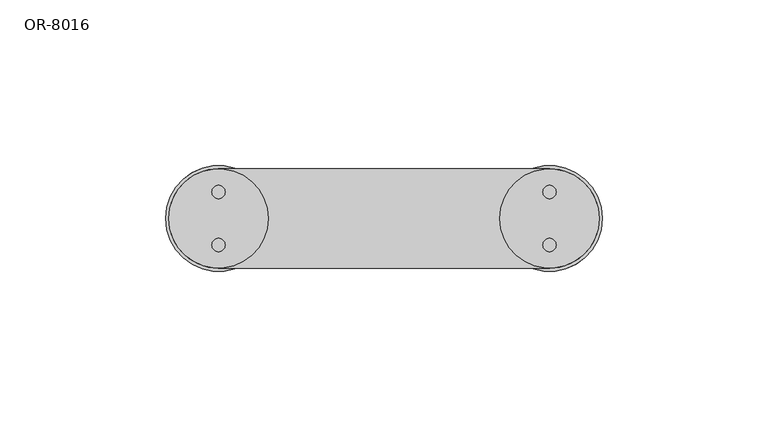
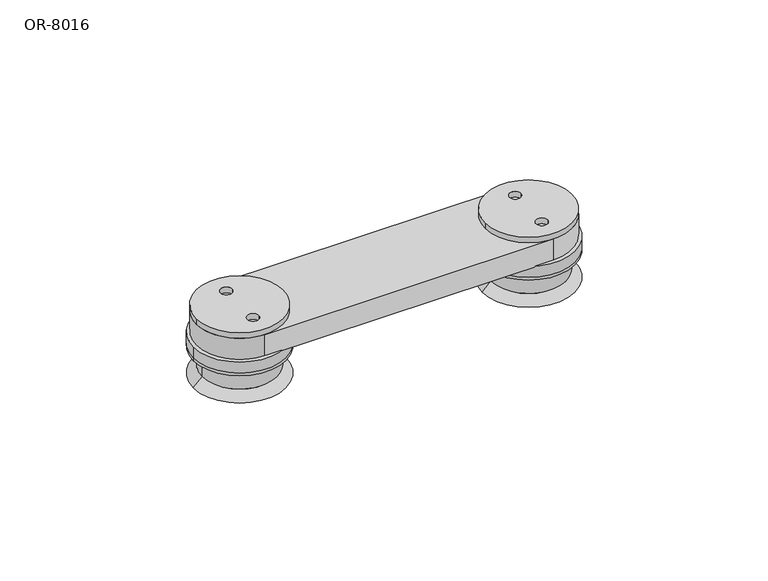
"""IFC4 building model written with IfcOpenShell, lengths in millimetres: proxy geometry, OR-8016."""

from ifc_helpers import new_model, si_unit, point, frame, frame_2d, origin, place, context, project, spatial, polyline, circle_curve, trimmed, segment, composite_curve, outline, extrude, source, transform, mapped, element, save
from ifc_brep_helpers import plane_surface, cylinder_surface, revolved_surface, advanced_brep


def or_8016_db763faf(model_context):
    return source(origin(), model_context, "Body", "SolidModel", [
        extrude(outline(composite_curve([segment(trimmed(circle_curve(frame_2d((-50.0, 0.0)), 12.0), [point((-50.0, 12.0))], [point((-50.0, -12.0))], False, "CARTESIAN"), True, "CONTINUOUS"), segment(trimmed(circle_curve(frame_2d((-50.0, 0.0)), 12.0), [point((-50.0, -12.0))], [point((-50.0, 12.0))], False, "CARTESIAN"), True, "CONTINUOUS")], self_intersect=False), holes=[composite_curve([segment(trimmed(circle_curve(frame_2d((-50.0, -8.0)), 2.0), [point((-52.0, -8.0))], [point((-48.0, -8.0))], True, "CARTESIAN"), True, "CONTINUOUS"), segment(trimmed(circle_curve(frame_2d((-50.0, -8.0)), 2.0), [point((-48.0, -8.0))], [point((-52.0, -8.0))], True, "CARTESIAN"), True, "CONTINUOUS")], self_intersect=False), composite_curve([segment(trimmed(circle_curve(frame_2d((-50.0, 8.0)), 2.0), [point((-52.0, 8.0))], [point((-48.0, 8.0))], True, "CARTESIAN"), True, "CONTINUOUS"), segment(trimmed(circle_curve(frame_2d((-50.0, 8.0)), 2.0), [point((-48.0, 8.0))], [point((-52.0, 8.0))], True, "CARTESIAN"), True, "CONTINUOUS")], self_intersect=False)]), frame((0.0, 0.0, -10.0), z_axis=(0.0, 0.0, 1.0), x_axis=(1.0, 0.0, 0.0)), (0.0, 0.0, 1.0), 3.0),
        extrude(outline(composite_curve([segment(trimmed(circle_curve(frame_2d((50.0, 0.0)), 12.0), [point((50.0, 12.0))], [point((50.0, -12.0))], False, "CARTESIAN"), True, "CONTINUOUS"), segment(trimmed(circle_curve(frame_2d((50.0, 0.0)), 12.0), [point((50.0, -12.0))], [point((50.0, 12.0))], False, "CARTESIAN"), True, "CONTINUOUS")], self_intersect=False), holes=[composite_curve([segment(trimmed(circle_curve(frame_2d((50.0, -8.0)), 2.0), [point((48.0, -8.0))], [point((52.0, -8.0))], True, "CARTESIAN"), True, "CONTINUOUS"), segment(trimmed(circle_curve(frame_2d((50.0, -8.0)), 2.0), [point((52.0, -8.0))], [point((48.0, -8.0))], True, "CARTESIAN"), True, "CONTINUOUS")], self_intersect=False), composite_curve([segment(trimmed(circle_curve(frame_2d((50.0, 8.0)), 2.0), [point((48.0, 8.0))], [point((52.0, 8.0))], True, "CARTESIAN"), True, "CONTINUOUS"), segment(trimmed(circle_curve(frame_2d((50.0, 8.0)), 2.0), [point((52.0, 8.0))], [point((48.0, 8.0))], True, "CARTESIAN"), True, "CONTINUOUS")], self_intersect=False)]), frame((0.0, 0.0, -10.0), z_axis=(0.0, 0.0, 1.0), x_axis=(1.0, 0.0, 0.0)), (0.0, 0.0, 1.0), 3.0),
        extrude(outline(composite_curve([segment(trimmed(circle_curve(frame_2d((-50.0, 0.0)), 16.0), [point((-66.0, 0.0))], [point((-34.0, 0.0))], False, "CARTESIAN"), True, "CONTINUOUS"), segment(trimmed(circle_curve(frame_2d((-50.0, 0.0)), 16.0), [point((-34.0, 0.0))], [point((-66.0, 0.0))], False, "CARTESIAN"), True, "CONTINUOUS")], self_intersect=False), holes=[composite_curve([segment(trimmed(circle_curve(frame_2d((-50.0, -8.0)), 2.0), [point((-52.0, -8.0))], [point((-48.0, -8.0))], True, "CARTESIAN"), True, "CONTINUOUS"), segment(trimmed(circle_curve(frame_2d((-50.0, -8.0)), 2.0), [point((-48.0, -8.0))], [point((-52.0, -8.0))], True, "CARTESIAN"), True, "CONTINUOUS")], self_intersect=False), composite_curve([segment(trimmed(circle_curve(frame_2d((-50.0, 8.0)), 2.0), [point((-52.0, 8.0))], [point((-48.0, 8.0))], True, "CARTESIAN"), True, "CONTINUOUS"), segment(trimmed(circle_curve(frame_2d((-50.0, 8.0)), 2.0), [point((-48.0, 8.0))], [point((-52.0, 8.0))], True, "CARTESIAN"), True, "CONTINUOUS")], self_intersect=False)]), frame((0.0, 0.0, 1.0), z_axis=(0.0, 0.0, 1.0), x_axis=(1.0, 0.0, 0.0)), (0.0, 0.0, 1.0), 4.0),
        extrude(outline(composite_curve([segment(trimmed(circle_curve(frame_2d((50.0, 0.0)), 16.0), [point((34.0, 0.0))], [point((66.0, 0.0))], False, "CARTESIAN"), True, "CONTINUOUS"), segment(trimmed(circle_curve(frame_2d((50.0, 0.0)), 16.0), [point((66.0, 0.0))], [point((34.0, 0.0))], False, "CARTESIAN"), True, "CONTINUOUS")], self_intersect=False), holes=[composite_curve([segment(trimmed(circle_curve(frame_2d((50.0, -8.0)), 2.0), [point((48.0, -8.0))], [point((52.0, -8.0))], True, "CARTESIAN"), True, "CONTINUOUS"), segment(trimmed(circle_curve(frame_2d((50.0, -8.0)), 2.0), [point((52.0, -8.0))], [point((48.0, -8.0))], True, "CARTESIAN"), True, "CONTINUOUS")], self_intersect=False), composite_curve([segment(trimmed(circle_curve(frame_2d((50.0, 8.0)), 2.0), [point((48.0, 8.0))], [point((52.0, 8.0))], True, "CARTESIAN"), True, "CONTINUOUS"), segment(trimmed(circle_curve(frame_2d((50.0, 8.0)), 2.0), [point((52.0, 8.0))], [point((48.0, 8.0))], True, "CARTESIAN"), True, "CONTINUOUS")], self_intersect=False)]), frame((0.0, 0.0, 1.0), z_axis=(0.0, 0.0, 1.0), x_axis=(1.0, 0.0, 0.0)), (0.0, 0.0, 1.0), 4.0),
        extrude(outline(composite_curve([segment(trimmed(circle_curve(frame_2d((-50.0, 0.0)), 15.0), [point((-65.0, 0.0))], [point((-35.0, 0.0))], False, "CARTESIAN"), True, "CONTINUOUS"), segment(trimmed(circle_curve(frame_2d((-50.0, 0.0)), 15.0), [point((-35.0, 0.0))], [point((-65.0, 0.0))], False, "CARTESIAN"), True, "CONTINUOUS")], self_intersect=False), holes=[composite_curve([segment(trimmed(circle_curve(frame_2d((-50.0, -8.0)), 2.0), [point((-52.0, -8.0))], [point((-48.0, -8.0))], True, "CARTESIAN"), True, "CONTINUOUS"), segment(trimmed(circle_curve(frame_2d((-50.0, -8.0)), 2.0), [point((-48.0, -8.0))], [point((-52.0, -8.0))], True, "CARTESIAN"), True, "CONTINUOUS")], self_intersect=False), composite_curve([segment(trimmed(circle_curve(frame_2d((-50.0, 8.0)), 2.0), [point((-52.0, 8.0))], [point((-48.0, 8.0))], True, "CARTESIAN"), True, "CONTINUOUS"), segment(trimmed(circle_curve(frame_2d((-50.0, 8.0)), 2.0), [point((-48.0, 8.0))], [point((-52.0, 8.0))], True, "CARTESIAN"), True, "CONTINUOUS")], self_intersect=False)]), frame((0.0, 0.0, 13.0), z_axis=(0.0, 0.0, 1.0), x_axis=(1.0, 0.0, 0.0)), (0.0, 0.0, 1.0), 2.0),
        extrude(outline(composite_curve([segment(trimmed(circle_curve(frame_2d((50.0, 0.0)), 15.0), [point((35.0, 0.0))], [point((65.0, 0.0))], False, "CARTESIAN"), True, "CONTINUOUS"), segment(trimmed(circle_curve(frame_2d((50.0, 0.0)), 15.0), [point((65.0, 0.0))], [point((35.0, 0.0))], False, "CARTESIAN"), True, "CONTINUOUS")], self_intersect=False), holes=[composite_curve([segment(trimmed(circle_curve(frame_2d((50.0, -8.0)), 2.0), [point((48.0, -8.0))], [point((52.0, -8.0))], True, "CARTESIAN"), True, "CONTINUOUS"), segment(trimmed(circle_curve(frame_2d((50.0, -8.0)), 2.0), [point((52.0, -8.0))], [point((48.0, -8.0))], True, "CARTESIAN"), True, "CONTINUOUS")], self_intersect=False), composite_curve([segment(trimmed(circle_curve(frame_2d((50.0, 8.0)), 2.0), [point((48.0, 8.0))], [point((52.0, 8.0))], True, "CARTESIAN"), True, "CONTINUOUS"), segment(trimmed(circle_curve(frame_2d((50.0, 8.0)), 2.0), [point((52.0, 8.0))], [point((48.0, 8.0))], True, "CARTESIAN"), True, "CONTINUOUS")], self_intersect=False)]), frame((0.0, 0.0, 13.0), z_axis=(0.0, 0.0, 1.0), x_axis=(1.0, 0.0, 0.0)), (0.0, 0.0, 1.0), 2.0),
        extrude(outline(composite_curve([segment(polyline([(-50.0, 15.0), (50.0, 15.0)]), True, "CONTINUOUS"), segment(trimmed(circle_curve(frame_2d((50.0, 0.0)), 15.0), [point((50.0, 15.0))], [point((50.0, -15.0))], False, "CARTESIAN"), True, "CONTINUOUS"), segment(polyline([(50.0, -15.0), (-50.0, -15.0)]), True, "CONTINUOUS"), segment(trimmed(circle_curve(frame_2d((-50.0, 0.0)), 15.0), [point((-50.0, -15.0))], [point((-50.0, 15.0))], False, "CARTESIAN"), True, "CONTINUOUS")], self_intersect=False)), frame((0.0, 0.0, 5.0), z_axis=(0.0, 0.0, 1.0), x_axis=(1.0, 0.0, 0.0)), (0.0, 0.0, 1.0), 8.0),
        advanced_brep(
        [(-66.0, 0.0, 1.0), (-34.0, 0.0, 1.0), (-66.0, 0.0, -10.0), (-34.0, 0.0, -10.0), (-62.0, 0.0, -10.0), (-38.0, 0.0, -10.0), (-34.0, 0.0, 0.0), (-66.0, 0.0, 0.0), (-37.0, 0.0, -7.0), (-63.0, 0.0, -7.0), (-63.0, 0.0, 0.0), (-37.0, 0.0, 0.0), (-62.0, 0.0, -7.0), (-38.0, 0.0, -7.0)],
        [
            (0, 1, circle_curve(frame((-50.0, 0.0, 1.0), z_axis=(0.0, 0.0, 1.0), x_axis=(1.0, 0.0, 0.0)), 16.0)),
            (1, 0, circle_curve(frame((-50.0, 0.0, 1.0), z_axis=(0.0, 0.0, 1.0), x_axis=(1.0, 0.0, 0.0)), 16.0)),
            (2, 3, circle_curve(frame((-50.0, 0.0, -10.0), z_axis=(0.0, 0.0, -1.0), x_axis=(1.0, 0.0, 0.0)), 16.0)),
            (3, 2, circle_curve(frame((-50.0, 0.0, -10.0), z_axis=(0.0, 0.0, -1.0), x_axis=(1.0, 0.0, 0.0)), 16.0)),
            (4, 5, circle_curve(frame((-50.0, 0.0, -10.0), z_axis=(0.0, 0.0, 1.0), x_axis=(1.0, 0.0, 0.0)), 12.0)),
            (5, 4, circle_curve(frame((-50.0, 0.0, -10.0), z_axis=(0.0, 0.0, 1.0), x_axis=(1.0, 0.0, 0.0)), 12.0)),
            (1, 6),
            (6, 7, circle_curve(frame((-50.0, 0.0, 0.0), z_axis=(0.0, 0.0, 1.0), x_axis=(1.0, 0.0, 0.0)), 16.0)),
            (7, 0),
            (7, 6, circle_curve(frame((-50.0, 0.0, 0.0), z_axis=(0.0, 0.0, 1.0), x_axis=(1.0, 0.0, 0.0)), 16.0)),
            (3, 8),
            (8, 9, circle_curve(frame((-50.0, 0.0, -7.0), z_axis=(0.0, 0.0, -1.0), x_axis=(1.0, 0.0, 0.0)), 13.0)),
            (9, 2),
            (9, 8, circle_curve(frame((-50.0, 0.0, -7.0), z_axis=(0.0, 0.0, -1.0), x_axis=(1.0, 0.0, 0.0)), 13.0)),
            (10, 11, circle_curve(frame((-50.0, 0.0, 0.0), z_axis=(0.0, 0.0, 1.0), x_axis=(1.0, 0.0, 0.0)), 13.0)),
            (11, 6),
            (7, 10),
            (11, 10, circle_curve(frame((-50.0, 0.0, 0.0), z_axis=(0.0, 0.0, 1.0), x_axis=(1.0, 0.0, 0.0)), 13.0)),
            (8, 11),
            (10, 9),
            (12, 13, circle_curve(frame((-50.0, 0.0, -7.0), z_axis=(0.0, 0.0, -1.0), x_axis=(1.0, 0.0, 0.0)), 12.0)),
            (13, 12, circle_curve(frame((-50.0, 0.0, -7.0), z_axis=(0.0, 0.0, -1.0), x_axis=(1.0, 0.0, 0.0)), 12.0)),
            (12, 4),
            (5, 13),
        ],
        [
            plane_surface(frame((-34.0, 0.0, 1.0), z_axis=(0.0, 0.0, 1.0), x_axis=(0.0, -1.0, 0.0))),
            plane_surface(frame((-34.0, 0.0, -10.0), z_axis=(0.0, 0.0, -1.0), x_axis=(0.0, 1.0, 0.0))),
            cylinder_surface(frame((-50.0, 0.0, -10.0), z_axis=(0.0, 0.0, 1.0), x_axis=(1.0, 0.0, 0.0)), 16.0),
            revolved_surface(polyline([(-34.0, 0.0, -10.0), (-37.0, 0.0, -7.0)]), (-50.0, 0.0, 2440.4), (0.0, 0.0, 1.0)),
            plane_surface(frame((-50.0, 0.0, 0.0), z_axis=(0.0, 0.0, -1.0), x_axis=(1.0, 0.0, 0.0))),
            cylinder_surface(frame((-50.0, 0.0, 2440.4), z_axis=(0.0, 0.0, 1.0), x_axis=(1.0, 0.0, 0.0)), 13.0),
            plane_surface(frame((-38.0, 0.0, -7.0), z_axis=(0.0, 0.0, -1.0), x_axis=(0.0, -1.0, 0.0))),
            revolved_surface(polyline([(-38.0, 0.0, -7.0), (-38.0, 0.0, -10.0)]), (-50.0, 0.0, -10.0), (0.0, 0.0, 1.0)),
        ],
        [
            (0, [[1, 2]]),
            (1, [[3, 4], [5, 6]]),
            (2, [[7, 8, 9, -2]]),
            (2, [[-9, 10, -7, -1]]),
            (3, [[-4, 11, 12, 13]]),
            (3, [[14, -11, -3, -13]]),
            (4, [[15, 16, -10, 17]]),
            (4, [[-8, -16, 18, -17]]),
            (5, [[19, -15, 20, -12]]),
            (5, [[-20, -18, -19, -14]]),
            (6, [[21, 22]]),
            (7, [[23, -6, 24, -21]]),
            (7, [[-24, -5, -23, -22]]),
        ],
    ),
        advanced_brep(
        [(34.0, 0.0, 1.0), (66.0, 0.0, 1.0), (34.0, 0.0, -10.0), (66.0, 0.0, -10.0), (38.0, 0.0, -10.0), (62.0, 0.0, -10.0), (66.0, 0.0, 0.0), (34.0, 0.0, 0.0), (63.0, 0.0, -7.0), (37.0, 0.0, -7.0), (37.0, 0.0, 0.0), (63.0, 0.0, 0.0), (38.0, 0.0, -7.0), (62.0, 0.0, -7.0)],
        [
            (0, 1, circle_curve(frame((50.0, 0.0, 1.0), z_axis=(0.0, 0.0, 1.0), x_axis=(1.0, 0.0, 0.0)), 16.0)),
            (1, 0, circle_curve(frame((50.0, 0.0, 1.0), z_axis=(0.0, 0.0, 1.0), x_axis=(1.0, 0.0, 0.0)), 16.0)),
            (2, 3, circle_curve(frame((50.0, 0.0, -10.0), z_axis=(0.0, 0.0, -1.0), x_axis=(1.0, 0.0, 0.0)), 16.0)),
            (3, 2, circle_curve(frame((50.0, 0.0, -10.0), z_axis=(0.0, 0.0, -1.0), x_axis=(1.0, 0.0, 0.0)), 16.0)),
            (4, 5, circle_curve(frame((50.0, 0.0, -10.0), z_axis=(0.0, 0.0, 1.0), x_axis=(1.0, 0.0, 0.0)), 12.0)),
            (5, 4, circle_curve(frame((50.0, 0.0, -10.0), z_axis=(0.0, 0.0, 1.0), x_axis=(1.0, 0.0, 0.0)), 12.0)),
            (1, 6),
            (6, 7, circle_curve(frame((50.0, 0.0, 0.0), z_axis=(0.0, 0.0, 1.0), x_axis=(1.0, 0.0, 0.0)), 16.0)),
            (7, 0),
            (7, 6, circle_curve(frame((50.0, 0.0, 0.0), z_axis=(0.0, 0.0, 1.0), x_axis=(1.0, 0.0, 0.0)), 16.0)),
            (3, 8),
            (8, 9, circle_curve(frame((50.0, 0.0, -7.0), z_axis=(0.0, 0.0, -1.0), x_axis=(1.0, 0.0, 0.0)), 13.0)),
            (9, 2),
            (9, 8, circle_curve(frame((50.0, 0.0, -7.0), z_axis=(0.0, 0.0, -1.0), x_axis=(1.0, 0.0, 0.0)), 13.0)),
            (10, 11, circle_curve(frame((50.0, 0.0, 0.0), z_axis=(0.0, 0.0, 1.0), x_axis=(1.0, 0.0, 0.0)), 13.0)),
            (11, 6),
            (7, 10),
            (11, 10, circle_curve(frame((50.0, 0.0, 0.0), z_axis=(0.0, 0.0, 1.0), x_axis=(1.0, 0.0, 0.0)), 13.0)),
            (8, 11),
            (10, 9),
            (12, 13, circle_curve(frame((50.0, 0.0, -7.0), z_axis=(0.0, 0.0, -1.0), x_axis=(1.0, 0.0, 0.0)), 12.0)),
            (13, 12, circle_curve(frame((50.0, 0.0, -7.0), z_axis=(0.0, 0.0, -1.0), x_axis=(1.0, 0.0, 0.0)), 12.0)),
            (12, 4),
            (5, 13),
        ],
        [
            plane_surface(frame((-34.0, 0.0, 1.0), z_axis=(0.0, 0.0, 1.0), x_axis=(0.0, -1.0, 0.0))),
            plane_surface(frame((-34.0, 0.0, -10.0), z_axis=(0.0, 0.0, -1.0), x_axis=(0.0, 1.0, 0.0))),
            cylinder_surface(frame((50.0, 0.0, 0.0), z_axis=(0.0, 0.0, 1.0), x_axis=(1.0, 0.0, 0.0)), 16.0),
            revolved_surface(polyline([(66.0, 0.0, -10.0), (63.0, 0.0, -7.0)]), (50.0, 0.0, 2440.4), (0.0, 0.0, 1.0)),
            plane_surface(frame((50.0, 0.0, 0.0), z_axis=(0.0, 0.0, -1.0), x_axis=(1.0, 0.0, 0.0))),
            cylinder_surface(frame((50.0, 0.0, 2440.4), z_axis=(0.0, 0.0, 1.0), x_axis=(1.0, 0.0, 0.0)), 13.0),
            plane_surface(frame((-38.0, 0.0, -7.0), z_axis=(0.0, 0.0, -1.0), x_axis=(0.0, -1.0, 0.0))),
            revolved_surface(polyline([(62.0, 0.0, -7.0), (62.0, 0.0, -10.0)]), (50.0, 0.0, 0.0), (0.0, 0.0, 1.0)),
        ],
        [
            (0, [[1, 2]]),
            (1, [[3, 4], [5, 6]]),
            (2, [[7, 8, 9, -2]]),
            (2, [[-9, 10, -7, -1]]),
            (3, [[-4, 11, 12, 13]]),
            (3, [[14, -11, -3, -13]]),
            (4, [[15, 16, -10, 17]]),
            (4, [[-8, -16, 18, -17]]),
            (5, [[19, -15, 20, -12]]),
            (5, [[-20, -18, -19, -14]]),
            (6, [[21, 22]]),
            (7, [[23, -6, 24, -21]]),
            (7, [[-24, -5, -23, -22]]),
        ],
    ),
    ])


if __name__ == "__main__":
    model = new_model("IFC4")
    model_context = context("Model", 3, world=origin())
    ifc_project = project(units=[si_unit("LENGTHUNIT", "METRE", prefix="MILLI")], contexts=[model_context])
    site = spatial("IfcSite", under=ifc_project)
    building = spatial("IfcBuilding", under=site)
    placement = place(None, origin())
    or_8016_shape = or_8016_db763faf(model_context)
    element("IfcBuildingElementProxy", 1, Name="OR-8016", ObjectType="OR-8016", at=placement, inside=building, context=model_context, shape_type="MappedRepresentation", body=[
        mapped(or_8016_shape, transform((0.0, 0.0, 0.0), x_axis=(1.0, 0.0, 0.0), y_axis=(0.0, 1.0, 0.0), z_axis=(0.0, 0.0, 1.0))),
    ])
    save(model, "model.ifc")
